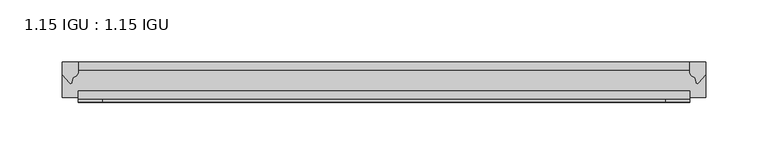
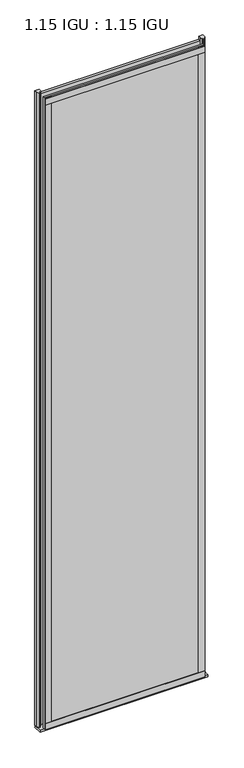
"""IFC4 building model written with IfcOpenShell, lengths in millimetres: plate geometry, 1.15 IGU : 1.15 IGU."""

from ifc_helpers import new_model, si_unit, point, frame, frame_2d, origin, place, context, project, spatial, polyline, circle_curve, trimmed, segment, composite_curve, outline, extrude, source, transform, mapped, element, save


def plate_1_15_igu_1_15_igu_033cbe9e(model_context):
    return source(origin(), model_context, "Body", "SweptSolid", [
        extrude(outline(polyline([(244.6555931, 0.0), (244.6555931, -6.2992), (-244.6555931, -6.2992), (-244.6555931, 0.0), (244.6555931, 0.0)])), frame((0.0, 0.0, -19.05), z_axis=(0.0, 0.0, 1.0), x_axis=(1.0, 0.0, 0.0)), (0.0, 0.0, 1.0), 2041.5250001),
        extrude(outline(polyline([(-244.6555931, -23.1648), (244.6555931, -23.1648), (244.6555931, -29.464), (-244.6555931, -29.464), (-244.6555931, -23.1648)])), frame((0.0, 0.0, -19.05), z_axis=(0.0, 0.0, 1.0), x_axis=(1.0, 0.0, 0.0)), (0.0, 0.0, 1.0), 2041.5250001),
        extrude(outline(composite_curve([segment(trimmed(circle_curve(frame_2d((10.9021792, -22.6833935)), 11.4916952), [point((0.0, -19.05))], [point((-0.2638007, -25.4))], True, "CARTESIAN"), True, "CONTINUOUS"), segment(polyline([(-0.2638007, -25.4), (-27.9952564, -25.4), (-27.9952564, -19.05), (0.0, -19.05)]), True, "CONTINUOUS")], self_intersect=False)), frame((-257.3555931, 0.0, 0.0), z_axis=(1.0, 0.0, 0.0), x_axis=(0.0, 1.0, 0.0)), (0.0, 0.0, 1.0), 514.7111861),
        extrude(outline(composite_curve([segment(polyline([(257.3555931, 0.0), (257.3555931, -9.7395025), (251.7893622, -16.3730781)]), True, "CONTINUOUS"), segment(trimmed(circle_curve(frame_2d((250.8356872, -15.7728374)), 1.1268473), [point((251.7893622, -16.3730781))], [point((249.7347343, -16.0130197))], False, "CARTESIAN"), True, "CONTINUOUS"), segment(polyline([(249.7347343, -16.0130197), (248.7545428, -11.7377885)]), True, "CONTINUOUS"), segment(trimmed(circle_curve(frame_2d((248.627091, -7.7683362)), 3.9714979), [point((248.7545428, -11.7377885))], [point((244.6557717, -7.8060014))], False, "CARTESIAN"), True, "CONTINUOUS"), segment(polyline([(244.6557717, -7.8060014), (244.6557717, 0.0), (257.3555931, 0.0)]), True, "CONTINUOUS")], self_intersect=False)), frame((0.0, 0.0, -19.05), z_axis=(0.0, 0.0, 1.0), x_axis=(1.0, 0.0, 0.0)), (0.0, 0.0, 1.0), 2051.8374001),
        extrude(outline(composite_curve([segment(polyline([(-244.6555931, 8.8e-06), (-244.6555931, -7.7683362)]), True, "CONTINUOUS"), segment(trimmed(circle_curve(frame_2d((-248.627091, -7.7683362)), 3.9714979), [point((-244.6555931, -7.7683362))], [point((-248.7545428, -11.7377885))], False, "CARTESIAN"), True, "CONTINUOUS"), segment(polyline([(-248.7545428, -11.7377885), (-249.7345773, -16.012436)]), True, "CONTINUOUS"), segment(trimmed(circle_curve(frame_2d((-250.8357864, -15.7723555)), 1.1270758), [point((-249.7345773, -16.012436))], [point((-251.7896258, -16.372764))], False, "CARTESIAN"), True, "CONTINUOUS"), segment(polyline([(-251.7896258, -16.372764), (-257.3555931, -9.7395025), (-257.3555931, 8.8e-06), (-244.6555931, 8.8e-06)]), True, "CONTINUOUS")], self_intersect=False)), frame((0.0, 0.0, -19.05), z_axis=(0.0, 0.0, 1.0), x_axis=(1.0, 0.0, 0.0)), (0.0, 0.0, 1.0), 2051.8374001),
        extrude(outline(polyline([(-244.6555931, -31.75), (-244.6555931, -29.464), (244.6555931, -29.464), (244.6555931, -31.75), (-244.6555931, -31.75)])), frame((0.0, 0.0, -19.05), z_axis=(0.0, 0.0, 1.0), x_axis=(1.0, 0.0, 0.0)), (0.0, 0.0, 1.0), 19.05),
        extrude(outline(polyline([(-244.6555931, -31.75), (-244.6555931, -29.464), (244.6555931, -29.464), (244.6555931, -31.75), (-244.6555931, -31.75)])), frame((0.0, 0.0, 2000.2500001), z_axis=(0.0, 0.0, 1.0), x_axis=(1.0, 0.0, 0.0)), (0.0, 0.0, 1.0), 19.05),
        extrude(outline(polyline([(225.6055931, -29.464), (244.6555931, -29.464), (244.6555931, -31.75), (225.6055931, -31.75), (225.6055931, -29.464)])), frame((0.0, 0.0, -19.05), z_axis=(0.0, 0.0, 1.0), x_axis=(1.0, 0.0, 0.0)), (0.0, 0.0, 1.0), 2041.5250001),
        extrude(outline(polyline([(-244.6555931, -31.75), (-244.6555931, -29.464), (-225.6055931, -29.464), (-225.6055931, -31.75), (-244.6555931, -31.75)])), frame((0.0, 0.0, -19.05), z_axis=(0.0, 0.0, 1.0), x_axis=(1.0, 0.0, 0.0)), (0.0, 0.0, 1.0), 2041.5250001),
    ])


if __name__ == "__main__":
    model = new_model("IFC4")
    model_context = context("Model", 3, world=origin())
    ifc_project = project(units=[si_unit("LENGTHUNIT", "METRE", prefix="MILLI")], contexts=[model_context])
    site = spatial("IfcSite", under=ifc_project)
    building = spatial("IfcBuilding", under=site)
    placement = place(None, origin())
    plate_1_15_igu_1_15_igu_shape = plate_1_15_igu_1_15_igu_033cbe9e(model_context)
    element("IfcPlate", 1, ObjectType="1.15 IGU : 1.15 IGU", at=placement, inside=building, context=model_context, shape_type="MappedRepresentation", body=[
        mapped(plate_1_15_igu_1_15_igu_shape, transform((0.0, 0.0, 0.0), x_axis=(1.0, 0.0, 0.0), y_axis=(0.0, 1.0, 0.0), z_axis=(0.0, 0.0, 1.0))),
    ])
    save(model, "model.ifc")
